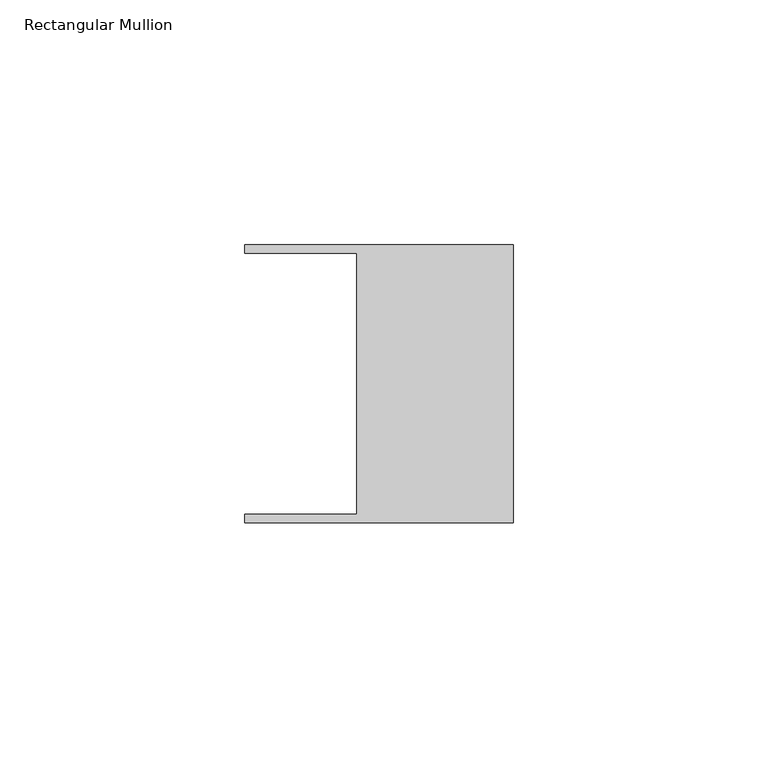
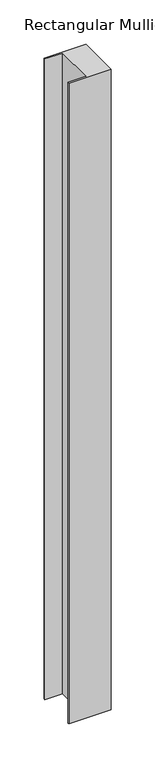
"""IFC4 building model written with IfcOpenShell, lengths in millimetres: member geometry, Rectangular Mullion."""

from ifc_helpers import new_model, si_unit, frame, origin, place, context, project, spatial, polyline, outline, extrude, source, transform, mapped, element, save


def rectangular_mullion_4653095a(model_context):
    return source(origin(), model_context, "Body", "SweptSolid", [
        extrude(outline(polyline([(-32.004, 26.67), (-54.991, 26.67), (-54.991, 28.448), (0.0, 28.448), (0.0, -28.448), (-54.991, -28.448), (-54.991, -26.67), (-32.004, -26.67), (-32.004, 26.67)])), frame((0.0, 0.0, -885.8124), z_axis=(0.0, 0.0, 1.0), x_axis=(1.0, 0.0, 0.0)), (0.0, 0.0, 1.0), 885.8124),
    ])


if __name__ == "__main__":
    model = new_model("IFC4")
    model_context = context("Model", 3, world=origin())
    ifc_project = project(units=[si_unit("LENGTHUNIT", "METRE", prefix="MILLI")], contexts=[model_context])
    site = spatial("IfcSite", under=ifc_project)
    building = spatial("IfcBuilding", under=site)
    placement = place(None, origin())
    rectangular_mullion_shape = rectangular_mullion_4653095a(model_context)
    element("IfcMember", 1, ObjectType="Rectangular Mullion", at=placement, inside=building, context=model_context, shape_type="MappedRepresentation", body=[
        mapped(rectangular_mullion_shape, transform((0.0, 0.0, 0.0), x_axis=(1.0, 0.0, 0.0), y_axis=(0.0, 1.0, 0.0), z_axis=(0.0, 0.0, 1.0))),
    ])
    save(model, "model.ifc")
